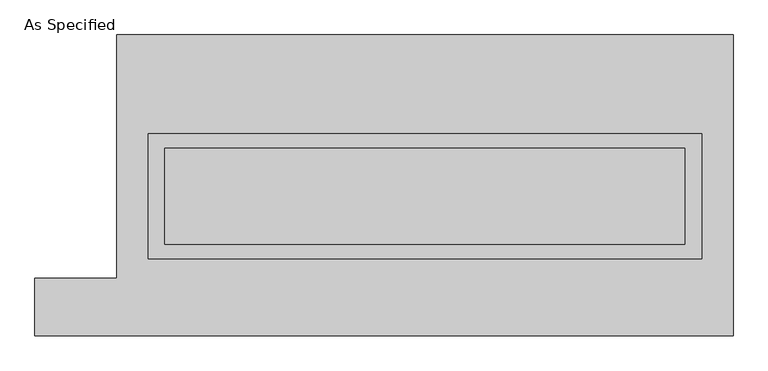
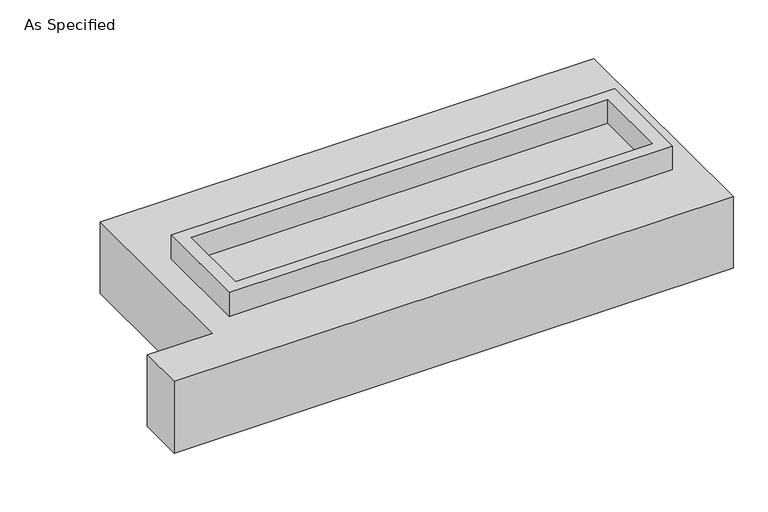
"""IFC4 building model written with IfcOpenShell, lengths in millimetres: proxy geometry, As Specified."""

from ifc_helpers import new_model, si_unit, frame, origin, place, context, project, spatial, polyline, outline, extrude, source, transform, mapped, element, save


def as_specified_8986eca1(model_context):
    return source(origin(), model_context, "Body", "SweptSolid", [
        extrude(outline(polyline([(1460.5, 273.05), (1460.5, -387.35), (-1460.5, -387.35), (-1460.5, 273.05), (1460.5, 273.05)]), holes=[polyline([(1371.6, 196.85), (-1371.6, 196.85), (-1371.6, -311.15), (1371.6, -311.15), (1371.6, 196.85)])]), frame((0.0, 0.0, -688.975), z_axis=(0.0, 0.0, 1.0), x_axis=(1.0, 0.0, 0.0)), (0.0, 0.0, 1.0), 165.1),
        extrude(outline(polyline([(1460.5, 273.05), (1460.5, -387.35), (-1460.5, -387.35), (-1460.5, 273.05), (1460.5, 273.05)]), holes=[polyline([(1371.6, 196.85), (-1371.6, 196.85), (-1371.6, -311.15), (1371.6, -311.15), (1371.6, 196.85)])]), frame((0.0, 0.0, -25.4), z_axis=(0.0, 0.0, 1.0), x_axis=(1.0, 0.0, 0.0)), (0.0, 0.0, 1.0), 165.1),
        extrude(outline(polyline([(1371.6, 196.85), (1371.6, -311.15), (-1371.6, -311.15), (-1371.6, 196.85), (1371.6, 196.85)])), frame((0.0, 0.0, -523.875), z_axis=(0.0, 0.0, 1.0), x_axis=(1.0, 0.0, 0.0)), (0.0, 0.0, 1.0), 4.9609375),
        extrude(outline(polyline([(1371.6, 196.85), (1371.6, -311.15), (-1371.6, -311.15), (-1371.6, 196.85), (1371.6, 196.85)])), frame((0.0, 0.0, -30.3609375), z_axis=(0.0, 0.0, 1.0), x_axis=(1.0, 0.0, 0.0)), (0.0, 0.0, 1.0), 4.9609375),
        extrude(outline(polyline([(-1625.6, 793.75), (1625.6, 793.75), (1625.6, -793.75), (-2057.4, -793.75), (-2057.4, -488.95), (-1625.6, -488.95), (-1625.6, 793.75)]), holes=[polyline([(-1460.5, 273.05), (-1460.5, -387.35), (1460.5, -387.35), (1460.5, 273.05), (-1460.5, 273.05)])]), frame((0.0, 0.0, -523.875), z_axis=(0.0, 0.0, 1.0), x_axis=(1.0, 0.0, 0.0)), (0.0, 0.0, 1.0), 498.475),
    ])


if __name__ == "__main__":
    model = new_model("IFC4")
    model_context = context("Model", 3, world=origin())
    ifc_project = project(units=[si_unit("LENGTHUNIT", "METRE", prefix="MILLI")], contexts=[model_context])
    site = spatial("IfcSite", under=ifc_project)
    building = spatial("IfcBuilding", under=site)
    placement = place(None, origin())
    as_specified_shape = as_specified_8986eca1(model_context)
    element("IfcBuildingElementProxy", 1, Name="As Specified", ObjectType="As Specified", at=placement, inside=building, context=model_context, shape_type="MappedRepresentation", body=[
        mapped(as_specified_shape, transform((0.0, 0.0, 0.0), x_axis=(1.0, 0.0, 0.0), y_axis=(0.0, 1.0, 0.0), z_axis=(0.0, 0.0, 1.0))),
    ])
    save(model, "model.ifc")
